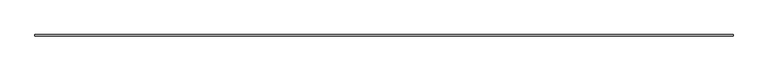
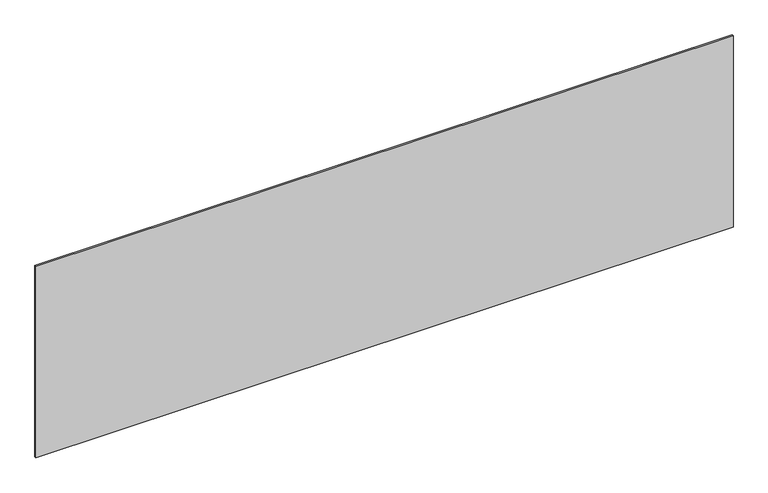
"""IFC4 building model written with IfcOpenShell, lengths in millimetres: plate geometry."""

from ifc_helpers import new_model, si_unit, origin, origin_with_axes, place, context, project, spatial, polyline, outline, extrude, source, transform, mapped, element, save


def plate_d9441ac2(model_context):
    return source(origin(), model_context, "Body", "SweptSolid", [
        extrude(outline(polyline([(2264.1666667, -5.0), (-2264.1666667, -5.0), (-2264.1666667, 5.0), (2264.1666667, 5.0), (2264.1666667, -5.0)])), origin_with_axes(), (0.0, 0.0, 1.0), 1315.5633458),
    ])


if __name__ == "__main__":
    model = new_model("IFC4")
    model_context = context("Model", 3, world=origin())
    ifc_project = project(units=[si_unit("LENGTHUNIT", "METRE", prefix="MILLI")], contexts=[model_context])
    site = spatial("IfcSite", under=ifc_project)
    building = spatial("IfcBuilding", under=site)
    placement = place(None, origin())
    plate_shape = plate_d9441ac2(model_context)
    element("IfcPlate", 1, at=placement, inside=building, context=model_context, shape_type="MappedRepresentation", body=[
        mapped(plate_shape, transform((0.0, 0.0, 0.0), x_axis=(1.0, 0.0, 0.0), y_axis=(0.0, 1.0, 0.0), z_axis=(0.0, 0.0, 1.0))),
    ])
    save(model, "model.ifc")
